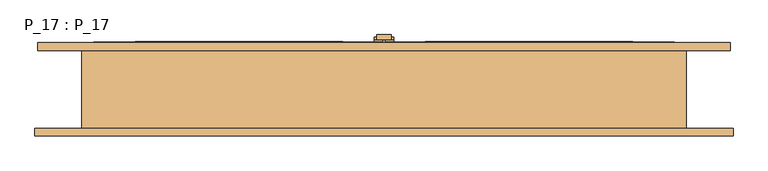
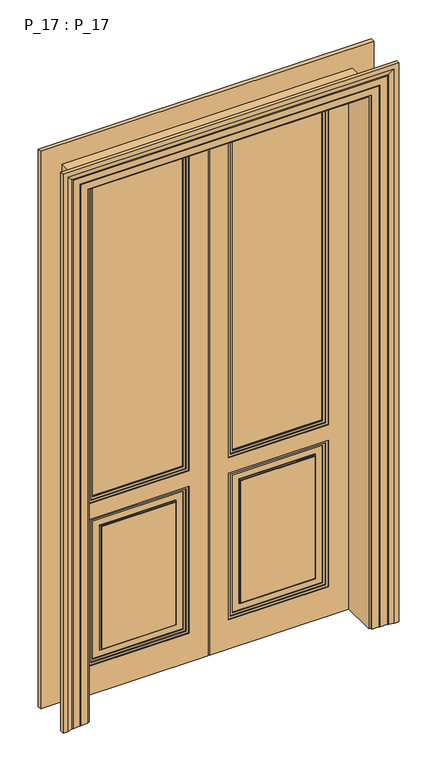
"""IFC4 building model written with IfcOpenShell, lengths in millimetres: door geometry, P_17 : P_17."""

from ifc_helpers import new_model, si_unit, frame, origin, origin_with_axes, place, context, project, spatial, polyline, outline, extrude, faceted_brep, source, transform, mapped, element, save


def p_17_p_17_1ff95929(model_context):
    return source(origin(), model_context, "Body", "SolidModel", [
        faceted_brep([(2.5, 80.0, 2400.0), (2.5, 80.0, 0.0), (600.0, 80.0, 0.0), (600.0, 80.0, 2400.0), (490.0, 80.0, 2290.0), (490.0, 80.0, 880.0), (105.0, 80.0, 880.0), (105.0, 80.0, 2290.0), (2.5, 97.0, 0.0), (2.5, 90.0, 2400.0), (2.5, 90.0, 2395.0), (2.5, 97.0, 2395.0), (595.0, 97.0, 0.0), (595.0, 90.0, 0.0), (600.0, 90.0, 0.0), (600.0, 90.0, 2400.0), (600.0, 85.0, 2400.0), (490.0, 90.0, 2290.0), (490.0, 90.0, 880.0), (105.0, 90.0, 880.0), (105.0, 90.0, 2290.0), (85.0, 90.0, 860.0), (85.0, 90.0, 2310.0), (510.0, 90.0, 2310.0), (510.0, 90.0, 860.0), (85.0, 90.0, 130.0), (85.0, 90.0, 790.0), (510.0, 90.0, 790.0), (510.0, 90.0, 130.0), (595.0, 90.0, 2395.0), (85.0, 97.0, 860.0), (85.0, 97.0, 2310.0), (510.0, 97.0, 2310.0), (510.0, 97.0, 860.0), (85.0, 97.0, 130.0), (85.0, 97.0, 790.0), (510.0, 97.0, 790.0), (510.0, 97.0, 130.0), (595.0, 97.0, 2395.0)], [[[0, 1, 2, 3], [4, 5, 6, 7]], [[8, 1, 0, 9, 10, 11]], [[2, 1, 8, 12, 13, 14]], [[3, 2, 14, 15, 16]], [[5, 4, 17, 18]], [[6, 5, 18, 19]], [[7, 6, 19, 20]], [[21, 22, 23, 24], [17, 20, 19, 18]], [[25, 26, 27, 28]], [[9, 15, 14, 13, 29, 10]], [[30, 31, 22, 21]], [[32, 33, 24, 23]], [[33, 30, 21, 24]], [[34, 35, 26, 25]], [[35, 36, 27, 26]], [[36, 37, 28, 27]], [[37, 34, 25, 28]], [[12, 8, 11, 38], [30, 33, 32, 31], [34, 37, 36, 35]], [[12, 38, 29, 13]], [[9, 0, 3, 16, 15]], [[4, 7, 20, 17]], [[31, 32, 23, 22]], [[38, 11, 10, 29]]]),
        extrude(outline(polyline([(0.0, -595.0), (0.0, -2.5), (2395.0, -2.5), (2395.0, -595.0), (0.0, -595.0)]), holes=[polyline([(860.0, -85.0), (860.0, -510.0), (2310.0, -510.0), (2310.0, -85.0), (860.0, -85.0)]), polyline([(130.0, -85.0), (130.0, -510.0), (790.0, -510.0), (790.0, -85.0), (130.0, -85.0)])]), frame((0.0, 85.0, 0.0), z_axis=(0.0, 1.0, 0.0), x_axis=(0.0, 0.0, 1.0)), (0.0, 0.0, 1.0), 12.0),
        extrude(outline(polyline([(0.0, -600.0), (0.0, -595.0), (2395.0, -595.0), (2395.0, -2.5), (2400.0, -2.5), (2400.0, -600.0), (0.0, -600.0)])), frame((0.0, 85.0, 0.0), z_axis=(0.0, 1.0, 0.0), x_axis=(0.0, 0.0, 1.0)), (0.0, 0.0, 1.0), 5.0),
        extrude(outline(polyline([(15.0, 102.0), (-15.0, 102.0), (-15.0, 112.0), (15.0, 112.0), (15.0, 102.0)])), origin_with_axes(), (0.0, 0.0, 1.0), 2400.0),
        extrude(outline(polyline([(20.0, 102.0), (15.0, 102.0), (15.0, 107.0), (20.0, 107.0), (20.0, 102.0)])), origin_with_axes(), (0.0, 0.0, 1.0), 2400.0),
        extrude(outline(polyline([(-15.0, 102.0), (-20.0, 102.0), (-20.0, 107.0), (-15.0, 107.0), (-15.0, 102.0)])), origin_with_axes(), (0.0, 0.0, 1.0), 2400.0),
        extrude(outline(polyline([(2310.0, -85.0), (2310.0, -510.0), (860.0, -510.0), (860.0, -85.0), (2310.0, -85.0)]), holes=[polyline([(2300.0, -95.0), (870.0, -95.0), (870.0, -500.0), (2300.0, -500.0), (2300.0, -95.0)])]), frame((0.0, 72.0, 0.0), z_axis=(0.0, 1.0, 0.0), x_axis=(0.0, 0.0, 1.0)), (0.0, 0.0, 1.0), 8.0),
        extrude(outline(polyline([(130.0, -510.0), (130.0, -85.0), (790.0, -85.0), (790.0, -510.0), (130.0, -510.0)]), holes=[polyline([(780.0, -95.0), (140.0, -95.0), (140.0, -500.0), (780.0, -500.0), (780.0, -95.0)])]), frame((0.0, 72.0, 0.0), z_axis=(0.0, 1.0, 0.0), x_axis=(0.0, 0.0, 1.0)), (0.0, 0.0, 1.0), 8.0),
        extrude(outline(polyline([(0.0, -595.0), (0.0, -2.5), (2395.0, -2.5), (2395.0, -595.0), (0.0, -595.0)]), holes=[polyline([(860.0, -85.0), (860.0, -510.0), (2310.0, -510.0), (2310.0, -85.0), (860.0, -85.0)]), polyline([(130.0, -85.0), (130.0, -510.0), (790.0, -510.0), (790.0, -85.0), (130.0, -85.0)])]), frame((0.0, 68.0, 0.0), z_axis=(0.0, 1.0, 0.0), x_axis=(0.0, 0.0, 1.0)), (0.0, 0.0, 1.0), 12.0),
        extrude(outline(polyline([(130.0, 510.0), (790.0, 510.0), (790.0, 85.0), (130.0, 85.0), (130.0, 510.0)]), holes=[polyline([(780.0, 500.0), (140.0, 500.0), (140.0, 95.0), (780.0, 95.0), (780.0, 500.0)])]), frame((0.0, 72.0, 0.0), z_axis=(0.0, 1.0, 0.0), x_axis=(0.0, 0.0, 1.0)), (0.0, 0.0, 1.0), 8.0),
        extrude(outline(polyline([(2310.0, 85.0), (860.0, 85.0), (860.0, 510.0), (2310.0, 510.0), (2310.0, 85.0)]), holes=[polyline([(2300.0, 95.0), (2300.0, 500.0), (870.0, 500.0), (870.0, 95.0), (2300.0, 95.0)])]), frame((0.0, 72.0, 0.0), z_axis=(0.0, 1.0, 0.0), x_axis=(0.0, 0.0, 1.0)), (0.0, 0.0, 1.0), 8.0),
        extrude(outline(polyline([(0.0, 595.0), (2395.0, 595.0), (2395.0, 2.5), (0.0, 2.5), (0.0, 595.0)]), holes=[polyline([(130.0, 85.0), (790.0, 85.0), (790.0, 510.0), (130.0, 510.0), (130.0, 85.0)]), polyline([(860.0, 85.0), (2310.0, 85.0), (2310.0, 510.0), (860.0, 510.0), (860.0, 85.0)])]), frame((0.0, 68.0, 0.0), z_axis=(0.0, 1.0, 0.0), x_axis=(0.0, 0.0, 1.0)), (0.0, 0.0, 1.0), 12.0),
        extrude(outline(polyline([(860.0, -85.0), (2310.0, -85.0), (2310.0, -510.0), (860.0, -510.0), (860.0, -85.0)]), holes=[polyline([(2300.0, -95.0), (870.0, -95.0), (870.0, -500.0), (2300.0, -500.0), (2300.0, -95.0)])]), frame((0.0, 90.0, 0.0), z_axis=(0.0, 1.0, 0.0), x_axis=(0.0, 0.0, 1.0)), (0.0, 0.0, 1.0), 8.0),
        extrude(outline(polyline([(130.0, -510.0), (130.0, -85.0), (790.0, -85.0), (790.0, -510.0), (130.0, -510.0)]), holes=[polyline([(780.0, -95.0), (140.0, -95.0), (140.0, -500.0), (780.0, -500.0), (780.0, -95.0)])]), frame((0.0, 90.0, 0.0), z_axis=(0.0, 1.0, 0.0), x_axis=(0.0, 0.0, 1.0)), (0.0, 0.0, 1.0), 8.0),
        extrude(outline(polyline([(2400.0, -2.5), (2400.0, -600.0), (0.0, -600.0), (0.0, -2.5), (2400.0, -2.5)]), holes=[polyline([(2290.0, -490.0), (2290.0, -105.0), (880.0, -105.0), (880.0, -490.0), (2290.0, -490.0)])]), frame((0.0, 80.0, 0.0), z_axis=(0.0, 1.0, 0.0), x_axis=(0.0, 0.0, 1.0)), (0.0, 0.0, 1.0), 10.0),
        extrude(outline(polyline([(2310.0, 85.0), (860.0, 85.0), (860.0, 510.0), (2310.0, 510.0), (2310.0, 85.0)]), holes=[polyline([(2300.0, 95.0), (2300.0, 500.0), (870.0, 500.0), (870.0, 95.0), (2300.0, 95.0)])]), frame((0.0, 90.0, 0.0), z_axis=(0.0, 1.0, 0.0), x_axis=(0.0, 0.0, 1.0)), (0.0, 0.0, 1.0), 8.0),
        extrude(outline(polyline([(130.0, 510.0), (790.0, 510.0), (790.0, 85.0), (130.0, 85.0), (130.0, 510.0)]), holes=[polyline([(780.0, 95.0), (780.0, 500.0), (140.0, 500.0), (140.0, 95.0), (780.0, 95.0)])]), frame((0.0, 90.0, 0.0), z_axis=(0.0, 1.0, 0.0), x_axis=(0.0, 0.0, 1.0)), (0.0, 0.0, 1.0), 8.0),
        faceted_brep([(710.0, 80.0, 0.0), (620.0, 80.0, 0.0), (620.0, -80.0, 0.0), (716.0, -80.0, 0.0), (716.0, -96.0, 0.0), (696.0, -96.0, 0.0), (676.0, -92.0291126, 0.0), (676.0, -91.0291126, 0.0), (671.0, -91.0291126, 0.0), (671.0, -90.0291126, 0.0), (641.0, -90.0291126, 0.0), (641.0, -89.0291126, 0.0), (636.0, -89.0291126, 0.0), (636.0, -88.0291126, 0.0), (606.0, -88.0291126, 0.0), (606.0, -80.0, 0.0), (596.0, -80.0, 0.0), (596.0, 80.0, 0.0), (606.0, 80.0, 0.0), (606.0, 88.0291126, 0.0), (636.0, 88.0291126, 0.0), (636.0, 89.0291126, 0.0), (641.0, 89.0291126, 0.0), (641.0, 90.0291126, 0.0), (665.0, 90.0291126, 0.0), (665.0, 91.0291126, 0.0), (670.0, 91.0291126, 0.0), (670.0, 92.0291126, 0.0), (690.0, 96.0, 0.0), (710.0, 96.0, 0.0), (710.0, 80.0, 2510.0), (-710.0, 80.0, 2510.0), (-710.0, 80.0, 0.0), (-620.0, 80.0, 0.0), (-620.0, 80.0, 2420.0), (620.0, 80.0, 2420.0), (620.0, -80.0, 2420.0), (-620.0, -80.0, 2420.0), (-620.0, -80.0, 0.0), (-716.0, -80.0, 0.0), (-716.0, -80.0, 2516.0), (716.0, -80.0, 2516.0), (716.0, -96.0, 2516.0), (-716.0, -96.0, 2516.0), (-716.0, -96.0, 0.0), (-696.0, -96.0, 0.0), (-696.0, -96.0, 2496.0), (696.0, -96.0, 2496.0), (676.0, -92.0291126, 2476.0), (676.0, -91.0291126, 2476.0), (-676.0, -91.0291126, 2476.0), (-676.0, -91.0291126, 0.0), (-671.0, -91.0291126, 0.0), (-671.0, -91.0291126, 2471.0), (671.0, -91.0291126, 2471.0), (671.0, -90.0291126, 2471.0), (-671.0, -90.0291126, 2471.0), (-671.0, -90.0291126, 0.0), (-641.0, -90.0291126, 0.0), (-641.0, -90.0291126, 2441.0), (641.0, -90.0291126, 2441.0), (641.0, -89.0291126, 2441.0), (-641.0, -89.0291126, 2441.0), (-641.0, -89.0291126, 0.0), (-636.0, -89.0291126, 0.0), (-636.0, -89.0291126, 2436.0), (636.0, -89.0291126, 2436.0), (636.0, -88.0291126, 2436.0), (-636.0, -88.0291126, 2436.0), (-636.0, -88.0291126, 0.0), (-606.0, -88.0291126, 0.0), (-606.0, -88.0291126, 2406.0), (606.0, -88.0291126, 2406.0), (606.0, -80.0, 2406.0), (-606.0, -80.0, 2406.0), (-606.0, -80.0, 0.0), (-596.0, -80.0, 0.0), (-596.0, -80.0, 2396.0), (596.0, -80.0, 2396.0), (596.0, 80.0, 2396.0), (-596.0, 80.0, 2396.0), (-596.0, 80.0, 0.0), (-606.0, 80.0, 0.0), (-606.0, 80.0, 2406.0), (606.0, 80.0, 2406.0), (606.0, 88.0291126, 2406.0), (-606.0, 88.0291126, 2406.0), (-606.0, 88.0291126, 0.0), (-636.0, 88.0291126, 0.0), (-636.0, 88.0291126, 2436.0), (636.0, 88.0291126, 2436.0), (636.0, 89.0291126, 2436.0), (-636.0, 89.0291126, 2436.0), (-636.0, 89.0291126, 0.0), (-641.0, 89.0291126, 0.0), (-641.0, 89.0291126, 2441.0), (641.0, 89.0291126, 2441.0), (641.0, 90.0291126, 2441.0), (-641.0, 90.0291126, 2441.0), (-641.0, 90.0291126, 0.0), (-665.0, 90.0291126, 0.0), (-665.0, 90.0291126, 2465.0), (665.0, 90.0291126, 2465.0), (665.0, 91.0291126, 2465.0), (-665.0, 91.0291126, 2465.0), (-665.0, 91.0291126, 0.0), (-670.0, 91.0291126, 0.0), (-670.0, 91.0291126, 2470.0), (670.0, 91.0291126, 2470.0), (670.0, 92.0291126, 2470.0), (690.0, 96.0, 2490.0), (-690.0, 96.0, 2490.0), (-690.0, 96.0, 0.0), (-710.0, 96.0, 0.0), (-710.0, 96.0, 2510.0), (710.0, 96.0, 2510.0), (-670.0, 92.0291126, 0.0), (-676.0, -92.0291126, 0.0), (-670.0, 92.0291126, 2470.0), (-676.0, -92.0291126, 2476.0)], [[[0, 1, 2, 3, 4, 5, 6, 7, 8, 9, 10, 11, 12, 13, 14, 15, 16, 17, 18, 19, 20, 21, 22, 23, 24, 25, 26, 27, 28, 29]], [[1, 0, 30, 31, 32, 33, 34, 35]], [[2, 1, 35, 36]], [[3, 2, 36, 37, 38, 39, 40, 41]], [[4, 3, 41, 42]], [[5, 4, 42, 43, 44, 45, 46, 47]], [[6, 5, 47, 48]], [[7, 6, 48, 49]], [[8, 7, 49, 50, 51, 52, 53, 54]], [[9, 8, 54, 55]], [[10, 9, 55, 56, 57, 58, 59, 60]], [[11, 10, 60, 61]], [[12, 11, 61, 62, 63, 64, 65, 66]], [[13, 12, 66, 67]], [[14, 13, 67, 68, 69, 70, 71, 72]], [[15, 14, 72, 73]], [[16, 15, 73, 74, 75, 76, 77, 78]], [[17, 16, 78, 79]], [[18, 17, 79, 80, 81, 82, 83, 84]], [[19, 18, 84, 85]], [[20, 19, 85, 86, 87, 88, 89, 90]], [[21, 20, 90, 91]], [[22, 21, 91, 92, 93, 94, 95, 96]], [[23, 22, 96, 97]], [[24, 23, 97, 98, 99, 100, 101, 102]], [[25, 24, 102, 103]], [[26, 25, 103, 104, 105, 106, 107, 108]], [[27, 26, 108, 109]], [[28, 27, 109, 110]], [[29, 28, 110, 111, 112, 113, 114, 115]], [[0, 29, 115, 30]], [[31, 114, 113, 32]], [[32, 113, 112, 116, 106, 105, 100, 99, 94, 93, 88, 87, 82, 81, 76, 75, 70, 69, 64, 63, 58, 57, 52, 51, 117, 45, 44, 39, 38, 33]], [[37, 34, 33, 38]], [[74, 71, 70, 75]], [[80, 77, 76, 81]], [[86, 83, 82, 87]], [[111, 118, 116, 112]], [[118, 107, 106, 116]], [[104, 101, 100, 105]], [[98, 95, 94, 99]], [[92, 89, 88, 93]], [[68, 65, 64, 69]], [[62, 59, 58, 63]], [[56, 53, 52, 57]], [[50, 119, 117, 51]], [[119, 46, 45, 117]], [[43, 40, 39, 44]], [[36, 35, 34, 37]], [[79, 78, 77, 80]], [[85, 84, 83, 86]], [[30, 115, 114, 31]], [[91, 90, 89, 92]], [[97, 96, 95, 98]], [[103, 102, 101, 104]], [[109, 108, 107, 118]], [[110, 109, 118, 111]], [[42, 41, 40, 43]], [[48, 47, 46, 119]], [[49, 48, 119, 50]], [[55, 54, 53, 56]], [[61, 60, 59, 62]], [[67, 66, 65, 68]], [[73, 72, 71, 74]]]),
        extrude(outline(polyline([(-105.0, 83.0), (-490.0, 83.0), (-490.0, 87.0), (-105.0, 87.0), (-105.0, 83.0)])), frame((0.0, 0.0, 880.0), z_axis=(0.0, 0.0, 1.0), x_axis=(1.0, 0.0, 0.0)), (0.0, 0.0, 1.0), 1410.0),
        extrude(outline(polyline([(490.0, 83.0), (105.0, 83.0), (105.0, 87.0), (490.0, 87.0), (490.0, 83.0)])), frame((0.0, 0.0, 880.0), z_axis=(0.0, 0.0, 1.0), x_axis=(1.0, 0.0, 0.0)), (0.0, 0.0, 1.0), 1410.0),
        extrude(outline(polyline([(780.0, -95.0), (780.0, -500.0), (140.0, -500.0), (140.0, -95.0), (780.0, -95.0)]), holes=[polyline([(770.0, -105.0), (150.0, -105.0), (150.0, -490.0), (770.0, -490.0), (770.0, -105.0)])]), frame((0.0, 76.0, 0.0), z_axis=(0.0, 1.0, 0.0), x_axis=(0.0, 0.0, 1.0)), (0.0, 0.0, 1.0), 4.0),
        extrude(outline(polyline([(740.0, -135.0), (740.0, -460.0), (180.0, -460.0), (180.0, -135.0), (740.0, -135.0)]), holes=[polyline([(735.0, -140.0), (185.0, -140.0), (185.0, -455.0), (735.0, -455.0), (735.0, -140.0)])]), frame((0.0, 76.0, 0.0), z_axis=(0.0, 1.0, 0.0), x_axis=(0.0, 0.0, 1.0)), (0.0, 0.0, 1.0), 4.0),
        extrude(outline(polyline([(2300.0, -95.0), (2300.0, -500.0), (870.0, -500.0), (870.0, -95.0), (2300.0, -95.0)]), holes=[polyline([(2290.0, -105.0), (880.0, -105.0), (880.0, -490.0), (2290.0, -490.0), (2290.0, -105.0)])]), frame((0.0, 76.0, 0.0), z_axis=(0.0, 1.0, 0.0), x_axis=(0.0, 0.0, 1.0)), (0.0, 0.0, 1.0), 4.0),
        extrude(outline(polyline([(2300.0, 95.0), (870.0, 95.0), (870.0, 500.0), (2300.0, 500.0), (2300.0, 95.0)]), holes=[polyline([(2290.0, 105.0), (2290.0, 490.0), (880.0, 490.0), (880.0, 105.0), (2290.0, 105.0)])]), frame((0.0, 76.0, 0.0), z_axis=(0.0, 1.0, 0.0), x_axis=(0.0, 0.0, 1.0)), (0.0, 0.0, 1.0), 4.0),
        extrude(outline(polyline([(780.0, 500.0), (780.0, 95.0), (140.0, 95.0), (140.0, 500.0), (780.0, 500.0)]), holes=[polyline([(770.0, 490.0), (150.0, 490.0), (150.0, 105.0), (770.0, 105.0), (770.0, 490.0)])]), frame((0.0, 76.0, 0.0), z_axis=(0.0, 1.0, 0.0), x_axis=(0.0, 0.0, 1.0)), (0.0, 0.0, 1.0), 4.0),
        extrude(outline(polyline([(740.0, 460.0), (740.0, 135.0), (180.0, 135.0), (180.0, 460.0), (740.0, 460.0)]), holes=[polyline([(735.0, 455.0), (185.0, 455.0), (185.0, 140.0), (735.0, 140.0), (735.0, 455.0)])]), frame((0.0, 76.0, 0.0), z_axis=(0.0, 1.0, 0.0), x_axis=(0.0, 0.0, 1.0)), (0.0, 0.0, 1.0), 4.0),
        extrude(outline(polyline([(2300.0, -95.0), (2300.0, -500.0), (870.0, -500.0), (870.0, -95.0), (2300.0, -95.0)]), holes=[polyline([(2290.0, -105.0), (880.0, -105.0), (880.0, -490.0), (2290.0, -490.0), (2290.0, -105.0)])]), frame((0.0, 90.0, 0.0), z_axis=(0.0, 1.0, 0.0), x_axis=(0.0, 0.0, 1.0)), (0.0, 0.0, 1.0), 4.0),
        extrude(outline(polyline([(780.0, -95.0), (780.0, -500.0), (140.0, -500.0), (140.0, -95.0), (780.0, -95.0)]), holes=[polyline([(770.0, -105.0), (150.0, -105.0), (150.0, -490.0), (770.0, -490.0), (770.0, -105.0)])]), frame((0.0, 90.0, 0.0), z_axis=(0.0, 1.0, 0.0), x_axis=(0.0, 0.0, 1.0)), (0.0, 0.0, 1.0), 4.0),
        extrude(outline(polyline([(740.0, -135.0), (740.0, -460.0), (180.0, -460.0), (180.0, -135.0), (740.0, -135.0)]), holes=[polyline([(735.0, -140.0), (185.0, -140.0), (185.0, -455.0), (735.0, -455.0), (735.0, -140.0)])]), frame((0.0, 90.0, 0.0), z_axis=(0.0, 1.0, 0.0), x_axis=(0.0, 0.0, 1.0)), (0.0, 0.0, 1.0), 4.0),
        extrude(outline(polyline([(780.0, 95.0), (140.0, 95.0), (140.0, 500.0), (780.0, 500.0), (780.0, 95.0)]), holes=[polyline([(770.0, 105.0), (770.0, 490.0), (150.0, 490.0), (150.0, 105.0), (770.0, 105.0)])]), frame((0.0, 90.0, 0.0), z_axis=(0.0, 1.0, 0.0), x_axis=(0.0, 0.0, 1.0)), (0.0, 0.0, 1.0), 4.0),
        extrude(outline(polyline([(740.0, 135.0), (180.0, 135.0), (180.0, 460.0), (740.0, 460.0), (740.0, 135.0)]), holes=[polyline([(735.0, 140.0), (735.0, 455.0), (185.0, 455.0), (185.0, 140.0), (735.0, 140.0)])]), frame((0.0, 90.0, 0.0), z_axis=(0.0, 1.0, 0.0), x_axis=(0.0, 0.0, 1.0)), (0.0, 0.0, 1.0), 4.0),
        extrude(outline(polyline([(2300.0, 95.0), (870.0, 95.0), (870.0, 500.0), (2300.0, 500.0), (2300.0, 95.0)]), holes=[polyline([(2290.0, 105.0), (2290.0, 490.0), (880.0, 490.0), (880.0, 105.0), (2290.0, 105.0)])]), frame((0.0, 90.0, 0.0), z_axis=(0.0, 1.0, 0.0), x_axis=(0.0, 0.0, 1.0)), (0.0, 0.0, 1.0), 4.0),
        extrude(outline(polyline([(2.5, 102.0), (20.0, 102.0), (20.0, 95.0), (2.5, 95.0), (2.5, 102.0)])), frame((0.0, 0.0, 2095.0), z_axis=(0.0, 0.0, 1.0), x_axis=(1.0, 0.0, 0.0)), (0.0, 0.0, 1.0), 5.0),
        extrude(outline(polyline([(-2.5, 102.0), (-2.5, 95.0), (-20.0, 95.0), (-20.0, 102.0), (-2.5, 102.0)])), frame((0.0, 0.0, 2095.0), z_axis=(0.0, 0.0, 1.0), x_axis=(1.0, 0.0, 0.0)), (0.0, 0.0, 1.0), 5.0),
        extrude(outline(polyline([(-455.0, 80.0), (-140.0, 80.0), (-140.0, 72.0), (-455.0, 72.0), (-455.0, 80.0)])), frame((0.0, 0.0, 185.0), z_axis=(0.0, 0.0, 1.0), x_axis=(1.0, 0.0, 0.0)), (0.0, 0.0, 1.0), 550.0),
        extrude(outline(polyline([(140.0, 80.0), (455.0, 80.0), (455.0, 72.0), (140.0, 72.0), (140.0, 80.0)])), frame((0.0, 0.0, 185.0), z_axis=(0.0, 0.0, 1.0), x_axis=(1.0, 0.0, 0.0)), (0.0, 0.0, 1.0), 550.0),
        extrude(outline(polyline([(-140.0, 90.0), (-455.0, 90.0), (-455.0, 98.0), (-140.0, 98.0), (-140.0, 90.0)])), frame((0.0, 0.0, 185.0), z_axis=(0.0, 0.0, 1.0), x_axis=(1.0, 0.0, 0.0)), (0.0, 0.0, 1.0), 550.0),
        extrude(outline(polyline([(455.0, 90.0), (140.0, 90.0), (140.0, 98.0), (455.0, 98.0), (455.0, 90.0)])), frame((0.0, 0.0, 185.0), z_axis=(0.0, 0.0, 1.0), x_axis=(1.0, 0.0, 0.0)), (0.0, 0.0, 1.0), 550.0),
    ])


if __name__ == "__main__":
    model = new_model("IFC4")
    model_context = context("Model", 3, world=origin())
    ifc_project = project(units=[si_unit("LENGTHUNIT", "METRE", prefix="MILLI")], contexts=[model_context])
    site = spatial("IfcSite", under=ifc_project)
    building = spatial("IfcBuilding", under=site)
    placement = place(None, origin())
    p_17_p_17_shape = p_17_p_17_1ff95929(model_context)
    element("IfcDoor", 1, ObjectType="P_17 : P_17", at=placement, inside=building, context=model_context, shape_type="MappedRepresentation", body=[
        mapped(p_17_p_17_shape, transform((0.0, 0.0, 0.0), x_axis=(1.0, 0.0, 0.0), y_axis=(0.0, 1.0, 0.0), z_axis=(0.0, 0.0, 1.0))),
    ])
    save(model, "model.ifc")
